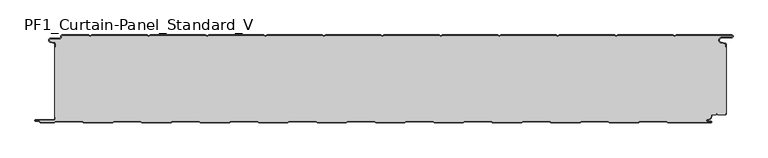
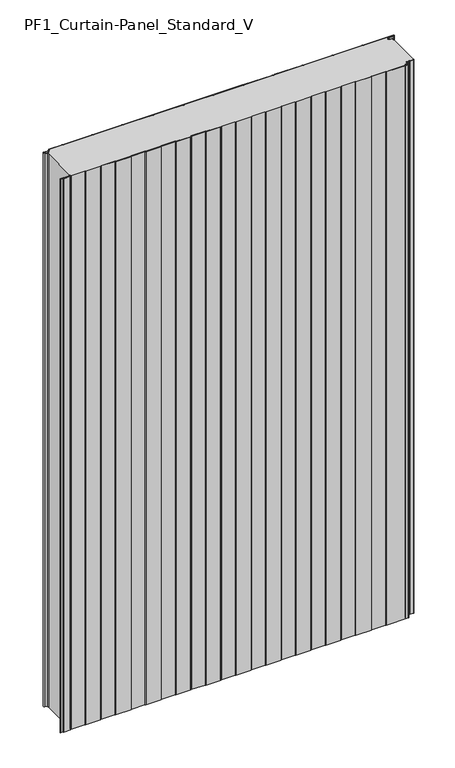
"""IFC4 building model written with IfcOpenShell, lengths in millimetres: plate geometry, PF1_Curtain-Panel_Standard_V."""

from ifc_helpers import new_model, si_unit, point, frame_2d, origin, origin_with_axes, place, context, project, spatial, polyline, circle_curve, trimmed, segment, composite_curve, outline, extrude, source, transform, mapped, element, save


def pf1_curtain_panel_standard_v_aea482e9(model_context):
    return source(origin(), model_context, "Body", "SweptSolid", [
        extrude(outline(composite_curve([segment(trimmed(circle_curve(frame_2d((-577.0, -15.878557)), 2.0), [point((-575.0, -15.878557))], [point((-576.5500978, -13.9298169))], True, "CARTESIAN"), True, "CONTINUOUS"), segment(polyline([(-576.5500978, -13.9298169), (-582.7098239, -12.507732)]), True, "CONTINUOUS"), segment(trimmed(circle_curve(frame_2d((-581.9, -9.0)), 3.6), [point((-582.7098239, -12.507732))], [point((-581.9, -5.4))], False, "CARTESIAN"), True, "CONTINUOUS"), segment(polyline([(-581.9, -5.4), (-566.4, -5.4)]), True, "CONTINUOUS"), segment(trimmed(circle_curve(frame_2d((-566.4, -3.4)), 2.0), [point((-566.4, -5.4))], [point((-564.4, -3.4))], True, "CARTESIAN"), True, "CONTINUOUS"), segment(polyline([(-564.4, -3.4), (-564.4, -2.0)]), True, "CONTINUOUS"), segment(trimmed(circle_curve(frame_2d((-562.4, -2.0)), 2.0), [point((-564.4, -2.0))], [point((-562.4, 0.0))], False, "CARTESIAN"), True, "CONTINUOUS"), segment(polyline([(-562.4, 0.0), (-517.0999995, 0.0), (-514.4, -1.5588455), (-511.7000005, 0.0), (-417.0999995, 0.0), (-414.4, -1.5588455), (-411.7000005, 0.0), (-317.0999995, 0.0), (-314.4, -1.5588455), (-311.7000005, 0.0), (-217.0999995, 0.0), (-214.4, -1.5588455), (-211.7000005, 0.0), (-117.0999995, 0.0), (-114.4, -1.5588455), (-111.7000005, 0.0), (-17.0999995, 0.0), (-14.4, -1.5588455), (-11.7000005, 0.0), (82.9000005, 0.0), (85.6, -1.5588455), (88.2999995, 0.0), (182.9000005, 0.0), (185.6, -1.5588455), (188.2999995, 0.0), (282.9000005, 0.0), (285.6, -1.5588455), (288.2999995, 0.0), (382.9000005, 0.0), (385.6, -1.5588455), (388.2999995, 0.0), (482.9000005, 0.0), (485.6, -1.5588455), (488.2999995, 0.0), (583.268846, 0.0)]), True, "CONTINUOUS"), segment(trimmed(circle_curve(frame_2d((583.268846, -2.5)), 2.5), [point((583.268846, 0.0))], [point((583.268846, -5.0))], False, "CARTESIAN"), True, "CONTINUOUS"), segment(polyline([(583.268846, -5.0), (566.268846, -5.0)]), True, "CONTINUOUS"), segment(trimmed(circle_curve(frame_2d((566.268846, -9.0)), 4.0), [point((566.268846, -5.0))], [point((565.574253, -12.939231))], True, "CARTESIAN"), True, "CONTINUOUS"), segment(polyline([(565.574253, -12.939231), (572.0203315, -14.0758491)]), True, "CONTINUOUS"), segment(trimmed(circle_curve(frame_2d((571.568846, -16.6363492)), 2.6), [point((572.0203315, -14.0758491))], [point((574.168846, -16.6363492))], False, "CARTESIAN"), True, "CONTINUOUS"), segment(polyline([(574.168846, -16.6363492), (574.168846, -20.0), (573.368846, -20.0), (573.368846, -16.6363492)]), True, "CONTINUOUS"), segment(trimmed(circle_curve(frame_2d((571.568846, -16.6363492)), 1.8), [point((573.368846, -16.6363492))], [point((571.8814129, -14.8636953))], True, "CARTESIAN"), True, "CONTINUOUS"), segment(polyline([(571.8814129, -14.8636953), (565.4353344, -13.7270772)]), True, "CONTINUOUS"), segment(trimmed(circle_curve(frame_2d((566.268846, -9.0)), 4.8), [point((565.4353344, -13.7270772))], [point((566.268846, -4.2))], False, "CARTESIAN"), True, "CONTINUOUS"), segment(polyline([(566.268846, -4.2), (583.268846, -4.2)]), True, "CONTINUOUS"), segment(trimmed(circle_curve(frame_2d((583.268846, -2.5)), 1.7), [point((583.268846, -4.2))], [point((583.268846, -0.8))], True, "CARTESIAN"), True, "CONTINUOUS"), segment(polyline([(583.268846, -0.8), (488.5143588, -0.8), (485.6, -2.482606), (482.6856412, -0.8), (388.5143588, -0.8), (385.6, -2.482606), (382.6856412, -0.8), (288.5143588, -0.8), (285.6, -2.482606), (282.6856412, -0.8), (188.5143588, -0.8), (185.6, -2.482606), (182.6856412, -0.8), (88.5143588, -0.8), (85.6, -2.482606), (82.6856412, -0.8), (-11.4856412, -0.8), (-14.4, -2.482606), (-17.3143588, -0.8), (-111.4856412, -0.8), (-114.4, -2.482606), (-117.3143588, -0.8), (-211.4856412, -0.8), (-214.4, -2.482606), (-217.3143588, -0.8), (-311.4856412, -0.8), (-314.4, -2.482606), (-317.3143588, -0.8), (-411.4856412, -0.8), (-414.4, -2.482606), (-417.3143588, -0.8), (-511.4856412, -0.8), (-514.4, -2.482606), (-517.3143588, -0.8), (-562.4, -0.8)]), True, "CONTINUOUS"), segment(trimmed(circle_curve(frame_2d((-562.4, -2.0)), 1.2), [point((-562.4, -0.8))], [point((-563.6, -2.0))], True, "CARTESIAN"), True, "CONTINUOUS"), segment(polyline([(-563.6, -2.0), (-563.6, -3.4)]), True, "CONTINUOUS"), segment(trimmed(circle_curve(frame_2d((-566.4, -3.4)), 2.8), [point((-563.6, -3.4))], [point((-566.4, -6.2))], False, "CARTESIAN"), True, "CONTINUOUS"), segment(polyline([(-566.4, -6.2), (-581.9, -6.2)]), True, "CONTINUOUS"), segment(trimmed(circle_curve(frame_2d((-581.9, -9.0)), 2.8), [point((-581.9, -6.2))], [point((-582.529863, -11.7282362))], True, "CARTESIAN"), True, "CONTINUOUS"), segment(polyline([(-582.529863, -11.7282362), (-576.370137, -13.150321)]), True, "CONTINUOUS"), segment(trimmed(circle_curve(frame_2d((-577.0, -15.878557)), 2.8), [point((-576.370137, -13.150321))], [point((-574.2, -15.878557))], False, "CARTESIAN"), True, "CONTINUOUS"), segment(polyline([(-574.2, -15.878557), (-574.2, -20.0), (-575.0, -20.0), (-575.0, -15.878557)]), True, "CONTINUOUS")], self_intersect=False)), origin_with_axes(), (0.0, 0.0, 1.0), 1945.7507136),
        extrude(outline(composite_curve([segment(polyline([(-574.2, -140.0), (-575.0, -140.0), (-575.0, -20.0), (-574.2, -20.0), (-574.2, -15.878557)]), True, "CONTINUOUS"), segment(trimmed(circle_curve(frame_2d((-577.0, -15.878557)), 2.8), [point((-574.2, -15.878557))], [point((-576.370137, -13.1503208))], True, "CARTESIAN"), True, "CONTINUOUS"), segment(polyline([(-576.370137, -13.1503208), (-582.529863, -11.7282362)]), True, "CONTINUOUS"), segment(trimmed(circle_curve(frame_2d((-581.9, -9.0)), 2.8), [point((-582.529863, -11.7282362))], [point((-581.9, -6.2))], False, "CARTESIAN"), True, "CONTINUOUS"), segment(polyline([(-581.9, -6.2), (-566.4, -6.2)]), True, "CONTINUOUS"), segment(trimmed(circle_curve(frame_2d((-566.4, -3.4)), 2.8), [point((-566.4, -6.2))], [point((-563.6, -3.4))], True, "CARTESIAN"), True, "CONTINUOUS"), segment(polyline([(-563.6, -3.4), (-563.6, -2.0)]), True, "CONTINUOUS"), segment(trimmed(circle_curve(frame_2d((-562.4, -2.0)), 1.2), [point((-563.6, -2.0))], [point((-562.4, -0.8))], False, "CARTESIAN"), True, "CONTINUOUS"), segment(polyline([(-562.4, -0.8), (-517.3143588, -0.8), (-514.4, -2.482606), (-511.4856412, -0.8), (-417.3143588, -0.8), (-414.4, -2.482606), (-411.4856412, -0.8), (-317.3143588, -0.8), (-314.4, -2.482606), (-311.4856412, -0.8), (-217.3143588, -0.8), (-214.4, -2.482606), (-211.4856412, -0.8), (-117.3143588, -0.8), (-114.4, -2.482606), (-111.4856412, -0.8), (-17.3143588, -0.8), (-14.4, -2.482606), (-11.4856412, -0.8), (82.6856412, -0.8), (85.6, -2.482606), (88.5143588, -0.8), (182.6856412, -0.8), (185.6, -2.482606), (188.5143588, -0.8), (282.6856412, -0.8), (285.6, -2.482606), (288.5143588, -0.8), (382.6856412, -0.8), (385.6, -2.482606), (388.5143588, -0.8), (482.6856412, -0.8), (485.6, -2.482606), (488.5143588, -0.8), (583.268846, -0.8)]), True, "CONTINUOUS"), segment(trimmed(circle_curve(frame_2d((583.268846, -2.5)), 1.7), [point((583.268846, -0.8))], [point((583.268846, -4.2))], False, "CARTESIAN"), True, "CONTINUOUS"), segment(polyline([(583.268846, -4.2), (566.268846, -4.2)]), True, "CONTINUOUS"), segment(trimmed(circle_curve(frame_2d((566.268846, -9.0)), 4.8), [point((566.268846, -4.2))], [point((565.4353344, -13.7270772))], True, "CARTESIAN"), True, "CONTINUOUS"), segment(polyline([(565.4353344, -13.7270772), (571.8814129, -14.8636953)]), True, "CONTINUOUS"), segment(trimmed(circle_curve(frame_2d((571.568846, -16.6363492)), 1.8), [point((571.8814129, -14.8636953))], [point((573.368846, -16.6363492))], False, "CARTESIAN"), True, "CONTINUOUS"), segment(polyline([(573.368846, -16.6363492), (573.368846, -20.0), (574.168846, -20.0), (574.168846, -133.0), (573.368846, -133.0), (573.368846, -134.4)]), True, "CONTINUOUS"), segment(trimmed(circle_curve(frame_2d((571.568846, -134.4)), 1.8), [point((573.368846, -134.4))], [point((571.568846, -136.2))], False, "CARTESIAN"), True, "CONTINUOUS"), segment(polyline([(571.568846, -136.2), (560.0002158, -136.2), (558.168846, -134.3686285), (556.3374762, -136.2), (550.168846, -136.2)]), True, "CONTINUOUS"), segment(trimmed(circle_curve(frame_2d((550.168846, -138.0)), 1.8), [point((550.168846, -136.2))], [point((548.368846, -138.0))], True, "CARTESIAN"), True, "CONTINUOUS"), segment(polyline([(548.368846, -138.0), (548.368846, -138.8276204)]), True, "CONTINUOUS"), segment(trimmed(circle_curve(frame_2d((542.9964664, -138.8276204)), 5.3723796), [point((548.368846, -138.8276204))], [point((542.9964664, -144.2))], False, "CARTESIAN"), True, "CONTINUOUS"), segment(polyline([(542.9964664, -144.2), (542.168846, -144.2)]), True, "CONTINUOUS"), segment(trimmed(circle_curve(frame_2d((542.168846, -146.4)), 2.2), [point((542.168846, -144.2))], [point((542.168846, -148.6))], True, "CARTESIAN"), True, "CONTINUOUS"), segment(polyline([(542.168846, -148.6), (548.0579973, -148.6)]), True, "CONTINUOUS"), segment(trimmed(circle_curve(frame_2d((548.0579973, -148.9)), 0.3), [point((548.0579973, -148.6))], [point((548.0579973, -149.2))], False, "CARTESIAN"), True, "CONTINUOUS"), segment(polyline([(548.0579973, -149.2), (474.2152562, -149.2), (471.6171786, -147.7), (426.3884624, -147.7), (423.7903848, -149.2), (374.2152562, -149.2), (371.6171786, -147.7), (326.3884624, -147.7), (323.7903848, -149.2), (274.2152562, -149.2), (271.6171786, -147.7), (226.3884624, -147.7), (223.7903848, -149.2), (174.2152562, -149.2), (171.6171786, -147.7), (126.3884624, -147.7), (123.7903848, -149.2), (74.2152562, -149.2), (71.6171786, -147.7), (26.3884624, -147.7), (23.7903848, -149.2), (-25.7847438, -149.2), (-28.3828214, -147.7), (-73.6115376, -147.7), (-76.2096152, -149.2), (-125.7847438, -149.2), (-128.3828214, -147.7), (-173.6115376, -147.7), (-176.2096152, -149.2), (-225.7847438, -149.2), (-228.3828214, -147.7), (-273.6115376, -147.7), (-276.2096152, -149.2), (-325.7847438, -149.2), (-328.3828214, -147.7), (-373.6115376, -147.7), (-376.2096152, -149.2), (-425.7847438, -149.2), (-428.3828214, -147.7), (-473.6115376, -147.7), (-476.2096152, -149.2), (-525.7847438, -149.2), (-528.3828214, -147.7), (-573.6115376, -147.7), (-576.2096152, -149.2), (-599.4, -149.2)]), True, "CONTINUOUS"), segment(trimmed(circle_curve(frame_2d((-599.4, -148.4)), 0.8), [point((-599.4, -149.2))], [point((-600.2, -148.4))], False, "CARTESIAN"), True, "CONTINUOUS"), segment(trimmed(circle_curve(frame_2d((-601.9, -148.6133333)), 1.7133333), [point((-600.2, -148.4))], [point((-601.9, -146.9))], True, "CARTESIAN"), True, "CONTINUOUS"), segment(polyline([(-601.9, -146.9), (-607.8700312, -146.9)]), True, "CONTINUOUS"), segment(trimmed(circle_curve(frame_2d((-607.8700312, -146.6)), 0.3), [point((-607.8700312, -146.9))], [point((-607.8700312, -146.3))], False, "CARTESIAN"), True, "CONTINUOUS"), segment(polyline([(-607.8700312, -146.3), (-577.0, -146.3)]), True, "CONTINUOUS"), segment(trimmed(circle_curve(frame_2d((-577.0, -143.5)), 2.8), [point((-577.0, -146.3))], [point((-574.2, -143.5))], True, "CARTESIAN"), True, "CONTINUOUS"), segment(polyline([(-574.2, -143.5), (-574.2, -140.0)]), True, "CONTINUOUS")], self_intersect=False)), origin_with_axes(), (0.0, 0.0, 1.0), 1945.7507136),
        extrude(outline(composite_curve([segment(polyline([(-575.0, -140.0), (-574.2, -140.0), (-574.2, -143.5)]), True, "CONTINUOUS"), segment(trimmed(circle_curve(frame_2d((-577.0, -143.5)), 2.8), [point((-574.2, -143.5))], [point((-577.0, -146.3))], False, "CARTESIAN"), True, "CONTINUOUS"), segment(polyline([(-577.0, -146.3), (-607.8700312, -146.3)]), True, "CONTINUOUS"), segment(trimmed(circle_curve(frame_2d((-607.8700312, -146.6)), 0.3), [point((-607.8700312, -146.3))], [point((-607.8700312, -146.9))], True, "CARTESIAN"), True, "CONTINUOUS"), segment(polyline([(-607.8700312, -146.9), (-601.9, -146.9)]), True, "CONTINUOUS"), segment(trimmed(circle_curve(frame_2d((-601.9, -148.6133333)), 1.7133333), [point((-601.9, -146.9))], [point((-600.2, -148.4))], False, "CARTESIAN"), True, "CONTINUOUS"), segment(trimmed(circle_curve(frame_2d((-599.4, -148.4)), 0.8), [point((-600.2, -148.4))], [point((-599.4, -149.2))], True, "CARTESIAN"), True, "CONTINUOUS"), segment(polyline([(-599.4, -149.2), (-576.2096152, -149.2), (-573.6115376, -147.7), (-528.3828214, -147.7), (-525.7847438, -149.2), (-476.2096152, -149.2), (-473.6115376, -147.7), (-428.3828214, -147.7), (-425.7847438, -149.2), (-376.2096152, -149.2), (-373.6115376, -147.7), (-328.3828214, -147.7), (-325.7847438, -149.2), (-276.2096152, -149.2), (-273.6115376, -147.7), (-228.3828214, -147.7), (-225.7847438, -149.2), (-176.2096152, -149.2), (-173.6115376, -147.7), (-128.3828214, -147.7), (-125.7847438, -149.2), (-76.2096152, -149.2), (-73.6115376, -147.7), (-28.3828214, -147.7), (-25.7847438, -149.2), (23.7903848, -149.2), (26.3884624, -147.7), (71.6171786, -147.7), (74.2152562, -149.2), (123.7903848, -149.2), (126.3884624, -147.7), (171.6171786, -147.7), (174.2152562, -149.2), (223.7903848, -149.2), (226.3884624, -147.7), (271.6171786, -147.7), (274.2152562, -149.2), (323.7903848, -149.2), (326.3884624, -147.7), (371.6171786, -147.7), (374.2152562, -149.2), (423.7903848, -149.2), (426.3884624, -147.7), (471.6171786, -147.7), (474.2152562, -149.2), (548.0579973, -149.2)]), True, "CONTINUOUS"), segment(trimmed(circle_curve(frame_2d((548.0579973, -148.9)), 0.3), [point((548.0579973, -149.2))], [point((548.0579973, -148.6))], True, "CARTESIAN"), True, "CONTINUOUS"), segment(polyline([(548.0579973, -148.6), (542.168846, -148.6)]), True, "CONTINUOUS"), segment(trimmed(circle_curve(frame_2d((542.168846, -146.4)), 2.2), [point((542.168846, -148.6))], [point((542.168846, -144.2))], False, "CARTESIAN"), True, "CONTINUOUS"), segment(polyline([(542.168846, -144.2), (542.9964664, -144.2)]), True, "CONTINUOUS"), segment(trimmed(circle_curve(frame_2d((542.9964664, -138.8276204)), 5.3723796), [point((542.9964664, -144.2))], [point((548.368846, -138.8276204))], True, "CARTESIAN"), True, "CONTINUOUS"), segment(polyline([(548.368846, -138.8276204), (548.368846, -138.0)]), True, "CONTINUOUS"), segment(trimmed(circle_curve(frame_2d((550.168846, -138.0)), 1.8), [point((548.368846, -138.0))], [point((550.168846, -136.2))], False, "CARTESIAN"), True, "CONTINUOUS"), segment(polyline([(550.168846, -136.2), (556.3374762, -136.2), (558.168846, -134.3686285), (560.0002158, -136.2), (571.568846, -136.2)]), True, "CONTINUOUS"), segment(trimmed(circle_curve(frame_2d((571.568846, -134.4)), 1.8), [point((571.568846, -136.2))], [point((573.368846, -134.4))], True, "CARTESIAN"), True, "CONTINUOUS"), segment(polyline([(573.368846, -134.4), (573.368846, -133.0), (574.168846, -133.0), (574.168846, -134.4)]), True, "CONTINUOUS"), segment(trimmed(circle_curve(frame_2d((571.568846, -134.4)), 2.6), [point((574.168846, -134.4))], [point((571.568846, -137.0))], False, "CARTESIAN"), True, "CONTINUOUS"), segment(polyline([(571.568846, -137.0), (559.6688448, -137.0), (558.168846, -135.4999999), (556.6688472, -137.0), (550.168846, -137.0)]), True, "CONTINUOUS"), segment(trimmed(circle_curve(frame_2d((550.168846, -138.0)), 1.0), [point((550.168846, -137.0))], [point((549.168846, -138.0))], True, "CARTESIAN"), True, "CONTINUOUS"), segment(polyline([(549.168846, -138.0), (549.168846, -138.8276204)]), True, "CONTINUOUS"), segment(trimmed(circle_curve(frame_2d((542.9964664, -138.8276204)), 6.1723796), [point((549.168846, -138.8276204))], [point((542.9964664, -145.0))], False, "CARTESIAN"), True, "CONTINUOUS"), segment(polyline([(542.9964664, -145.0), (542.168846, -145.0)]), True, "CONTINUOUS"), segment(trimmed(circle_curve(frame_2d((542.168846, -146.5)), 1.5), [point((542.168846, -145.0))], [point((542.168846, -148.0))], True, "CARTESIAN"), True, "CONTINUOUS"), segment(polyline([(542.168846, -148.0), (548.168846, -148.0)]), True, "CONTINUOUS"), segment(trimmed(circle_curve(frame_2d((548.168846, -149.0)), 1.0), [point((548.168846, -148.0))], [point((548.168846, -150.0))], False, "CARTESIAN"), True, "CONTINUOUS"), segment(polyline([(548.168846, -150.0), (474.0008969, -150.0), (471.4028193, -148.5), (426.6028217, -148.5), (424.0047441, -150.0), (374.0008969, -150.0), (371.4028193, -148.5), (326.6028217, -148.5), (324.0047441, -150.0), (274.0008969, -150.0), (271.4028193, -148.5), (226.6028217, -148.5), (224.0047441, -150.0), (174.0008969, -150.0), (171.4028193, -148.5), (126.6028217, -148.5), (124.0047441, -150.0), (74.0008969, -150.0), (71.4028193, -148.5), (26.6028217, -148.5), (24.0047441, -150.0), (-25.9991031, -150.0), (-28.5971807, -148.5), (-73.3971783, -148.5), (-75.9952559, -150.0), (-125.9991031, -150.0), (-128.5971807, -148.5), (-173.3971783, -148.5), (-175.9952559, -150.0), (-225.9991031, -150.0), (-228.5971807, -148.5), (-273.3971783, -148.5), (-275.9952559, -150.0), (-325.9991031, -150.0), (-328.5971807, -148.5), (-373.3971783, -148.5), (-375.9952559, -150.0), (-425.9991031, -150.0), (-428.5971807, -148.5), (-473.3971783, -148.5), (-475.9952559, -150.0), (-525.9991031, -150.0), (-528.5971807, -148.5), (-573.3971783, -148.5), (-575.9952559, -150.0), (-599.4, -150.0)]), True, "CONTINUOUS"), segment(trimmed(circle_curve(frame_2d((-599.4, -148.4)), 1.6), [point((-599.4, -150.0))], [point((-601.0, -148.4))], False, "CARTESIAN"), True, "CONTINUOUS"), segment(trimmed(circle_curve(frame_2d((-601.9, -148.4)), 0.9), [point((-601.0, -148.4))], [point((-601.9, -147.5))], True, "CARTESIAN"), True, "CONTINUOUS"), segment(polyline([(-601.9, -147.5), (-608.0, -147.5)]), True, "CONTINUOUS"), segment(trimmed(circle_curve(frame_2d((-608.0, -146.5)), 1.0), [point((-608.0, -147.5))], [point((-608.0, -145.5))], False, "CARTESIAN"), True, "CONTINUOUS"), segment(polyline([(-608.0, -145.5), (-577.0, -145.5)]), True, "CONTINUOUS"), segment(trimmed(circle_curve(frame_2d((-577.0, -143.5)), 2.0), [point((-577.0, -145.5))], [point((-575.0, -143.5))], True, "CARTESIAN"), True, "CONTINUOUS"), segment(polyline([(-575.0, -143.5), (-575.0, -140.0)]), True, "CONTINUOUS")], self_intersect=False)), origin_with_axes(), (0.0, 0.0, 1.0), 1945.7507136),
    ])


if __name__ == "__main__":
    model = new_model("IFC4")
    model_context = context("Model", 3, world=origin())
    ifc_project = project(units=[si_unit("LENGTHUNIT", "METRE", prefix="MILLI")], contexts=[model_context])
    site = spatial("IfcSite", under=ifc_project)
    building = spatial("IfcBuilding", under=site)
    placement = place(None, origin())
    pf1_curtain_panel_standard_v_shape = pf1_curtain_panel_standard_v_aea482e9(model_context)
    element("IfcPlate", 1, ObjectType="PF1_Curtain-Panel_Standard_V", at=placement, inside=building, context=model_context, shape_type="MappedRepresentation", body=[
        mapped(pf1_curtain_panel_standard_v_shape, transform((0.0, 0.0, 0.0), x_axis=(1.0, 0.0, 0.0), y_axis=(0.0, 1.0, 0.0), z_axis=(0.0, 0.0, 1.0))),
    ])
    save(model, "model.ifc")
